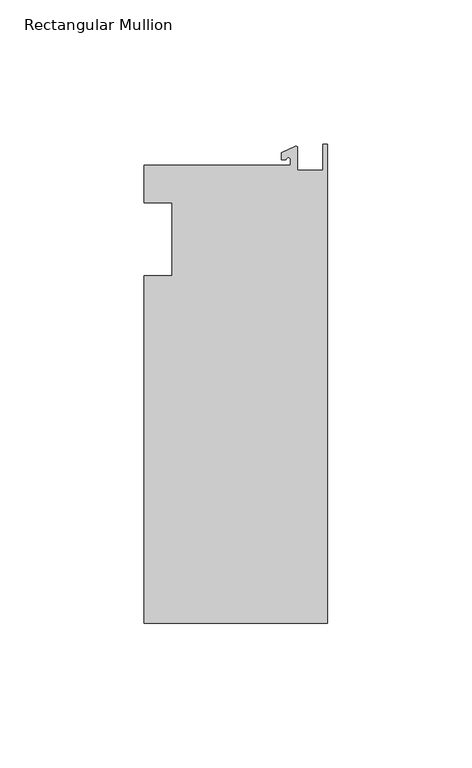
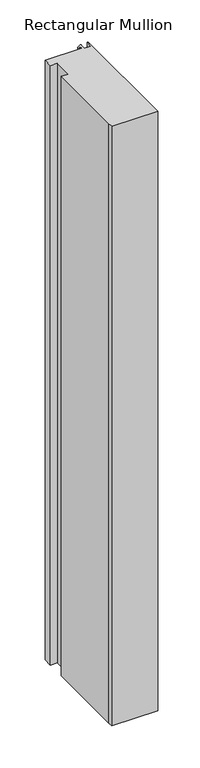
"""IFC4 building model written with IfcOpenShell, lengths in millimetres: member geometry, Rectangular Mullion."""

from ifc_helpers import new_model, si_unit, point, frame, frame_2d, origin, place, context, project, spatial, polyline, circle_curve, trimmed, segment, composite_curve, outline, extrude, source, transform, mapped, element, save


def rectangular_mullion_b208e36b(model_context):
    return source(origin(), model_context, "Body", "SweptSolid", [
        extrude(outline(composite_curve([segment(polyline([(-12.8216721, 25.5984375), (-12.8216721, 27.5208534)]), True, "CONTINUOUS"), segment(trimmed(circle_curve(frame_2d((-13.6154221, 27.5208534)), 0.79375), [point((-12.8216721, 27.5208534))], [point((-14.4091721, 27.5208534))], True, "CARTESIAN"), True, "CONTINUOUS"), segment(polyline([(-14.4091721, 27.5208534), (-15.9966721, 27.5208534), (-15.9966721, 29.8830527), (-11.1567622, 32.1399398)]), True, "CONTINUOUS"), segment(trimmed(circle_curve(frame_2d((-10.9420721, 31.6795354)), 0.508), [point((-11.1567622, 32.1399398))], [point((-10.4340721, 31.6795354))], False, "CARTESIAN"), True, "CONTINUOUS"), segment(polyline([(-10.4340721, 31.6795354), (-10.4340721, 23.9227662), (-1.7144124, 23.9227662), (-1.5566453, 32.810012), (0.0, 32.810012), (0.0, -132.822512), (-63.5, -132.822512), (-63.5, -125.075512), (-63.5, -12.7), (-53.975, -12.7), (-53.975, 12.7), (-63.5, 12.7), (-63.5, 25.5984375), (-12.8216721, 25.5984375)]), True, "CONTINUOUS")], self_intersect=False)), frame((0.0, 0.0, -870.9014763), z_axis=(0.0, 0.0, 1.0), x_axis=(1.0, 0.0, 0.0)), (0.0, 0.0, 1.0), 870.9014763),
    ])


if __name__ == "__main__":
    model = new_model("IFC4")
    model_context = context("Model", 3, world=origin())
    ifc_project = project(units=[si_unit("LENGTHUNIT", "METRE", prefix="MILLI")], contexts=[model_context])
    site = spatial("IfcSite", under=ifc_project)
    building = spatial("IfcBuilding", under=site)
    placement = place(None, origin())
    rectangular_mullion_shape = rectangular_mullion_b208e36b(model_context)
    element("IfcMember", 1, ObjectType="Rectangular Mullion", at=placement, inside=building, context=model_context, shape_type="MappedRepresentation", body=[
        mapped(rectangular_mullion_shape, transform((0.0, 0.0, 0.0), x_axis=(1.0, 0.0, 0.0), y_axis=(0.0, 1.0, 0.0), z_axis=(0.0, 0.0, 1.0))),
    ])
    save(model, "model.ifc")
